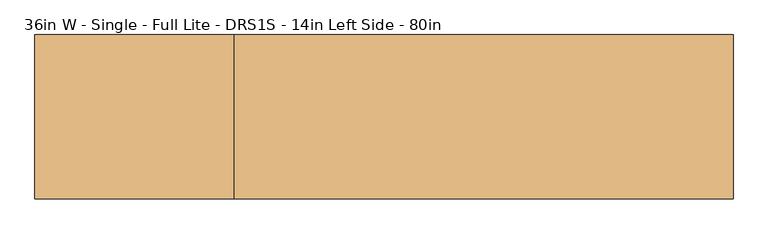
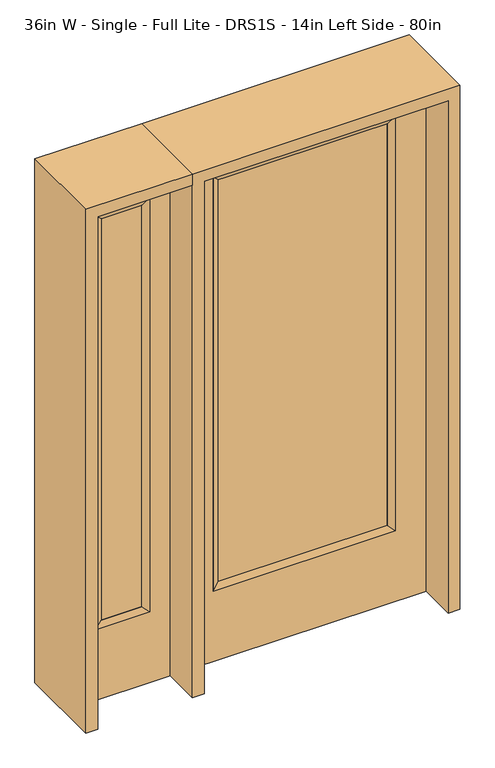
"""IFC4 building model written with IfcOpenShell, lengths in millimetres: door geometry, 36in W - Single - Full Lite - DRS1S - 14in Left Side - 80in."""

from ifc_helpers import new_model, si_unit, frame, origin, place, context, project, spatial, polyline, outline, extrude, faceted_brep, source, transform, mapped, element, save


def door_36in_w_single_full_lite_drs1s_14in_left_side_80in_b19fb23d(model_context):
    return source(origin(), model_context, "Body", "SolidModel", [
        extrude(outline(polyline([(316.3824, -12.7039749), (-316.3824, -12.7039749), (-316.3824, 14.2875), (316.3824, 14.2875), (316.3824, -12.7039749)])), frame((0.0, 0.0, 304.8), z_axis=(0.0, 0.0, 1.0), x_axis=(1.0, 0.0, 0.0)), (0.0, 0.0, 1.0), 1591.1576),
        faceted_brep([(316.3824, 14.2875, 1895.9576), (341.7824, 22.225, 1921.3576), (341.7824, 22.225, 279.4), (316.3824, 14.2875, 304.8), (341.7824, -22.225, 1921.3576), (341.7824, -22.225, 279.4), (-341.7824, 22.225, 279.4), (-316.3824, 14.2875, 304.8), (316.3824, -12.7039749, 1895.9576), (316.3824, -12.7039749, 304.8), (-316.3824, -12.7039749, 304.8), (-341.7824, -22.225, 279.4), (-341.7824, 22.225, 1921.3576), (-316.3824, 14.2875, 1895.9576), (-316.3824, -12.7039749, 1895.9576), (-341.7824, -22.225, 1921.3576)], [[[0, 1, 2, 3]], [[1, 4, 5, 2]], [[3, 2, 6, 7]], [[8, 0, 3, 9]], [[9, 3, 7, 10]], [[4, 8, 9, 5]], [[5, 9, 10, 11]], [[2, 5, 11, 6]], [[7, 6, 12, 13]], [[10, 7, 13, 14]], [[11, 10, 14, 15]], [[6, 11, 15, 12]], [[13, 12, 1, 0]], [[14, 13, 0, 8]], [[15, 14, 8, 4]], [[12, 15, 4, 1]]]),
        extrude(outline(polyline([(0.0, -457.2), (0.0, 457.2), (2032.0, 457.2), (2032.0, -457.2), (0.0, -457.2)]), holes=[polyline([(279.4, -341.7824), (1921.3576, -341.7824), (1921.3576, 341.7824), (279.4, 341.7824), (279.4, -341.7824)])]), frame((0.0, -22.225, 0.0), z_axis=(0.0, 1.0, 0.0), x_axis=(0.0, 0.0, 1.0)), (0.0, 0.0, 1.0), 44.45),
        faceted_brep([(-577.85, 20.6375, 1920.875), (-577.85, -20.6375, 1920.875), (-577.85, -20.6375, 279.4), (-577.85, 20.6375, 279.4), (-603.25, -12.7, 1895.475), (-603.25, -12.7, 304.8), (-781.05, -20.6375, 279.4), (-781.05, 20.6375, 279.4), (-603.25, 12.7, 1895.475), (-603.25, 12.7, 304.8), (-755.65, 12.7, 304.8), (-755.65, -12.7, 304.8), (-781.05, -20.6375, 1920.875), (-781.05, 20.6375, 1920.875), (-755.65, 12.7, 1895.475), (-755.65, -12.7, 1895.475)], [[[0, 1, 2, 3]], [[1, 4, 5, 2]], [[3, 2, 6, 7]], [[8, 0, 3, 9]], [[9, 3, 7, 10]], [[4, 8, 9, 5]], [[5, 9, 10, 11]], [[2, 5, 11, 6]], [[7, 6, 12, 13]], [[10, 7, 13, 14]], [[11, 10, 14, 15]], [[6, 11, 15, 12]], [[13, 12, 1, 0]], [[14, 13, 0, 8]], [[15, 14, 8, 4]], [[12, 15, 4, 1]]]),
        extrude(outline(polyline([(0.0, -857.25), (0.0, -501.65), (2032.0, -501.65), (2032.0, -857.25), (0.0, -857.25)]), holes=[polyline([(1920.875, -577.85), (279.4, -577.85), (279.4, -781.05), (1920.875, -781.05), (1920.875, -577.85)])]), frame((0.0, -20.6375, 0.0), z_axis=(0.0, 1.0, 0.0), x_axis=(0.0, 0.0, 1.0)), (0.0, 0.0, 1.0), 41.275),
        extrude(outline(polyline([(-603.25, -12.7), (-755.65, -12.7), (-755.65, 12.7), (-603.25, 12.7), (-603.25, -12.7)])), frame((0.0, 0.0, 304.8), z_axis=(0.0, 0.0, 1.0), x_axis=(1.0, 0.0, 0.0)), (0.0, 0.0, 1.0), 1590.675),
        extrude(outline(polyline([(2032.0, -501.65), (2076.45, -501.65), (2076.45, -901.7), (0.0, -901.7), (0.0, -857.25), (2032.0, -857.25), (2032.0, -501.65)])), frame((0.0, -165.1, 0.0), z_axis=(0.0, 1.0, 0.0), x_axis=(0.0, 0.0, 1.0)), (0.0, 0.0, 1.0), 330.2),
        extrude(outline(polyline([(2076.45, -501.65), (0.0, -501.65), (0.0, -457.2), (2032.0, -457.2), (2032.0, 457.2), (0.0, 457.2), (0.0, 501.65), (2076.45, 501.65), (2076.45, -501.65)])), frame((0.0, -165.1, 0.0), z_axis=(0.0, 1.0, 0.0), x_axis=(0.0, 0.0, 1.0)), (0.0, 0.0, 1.0), 330.2),
    ])


if __name__ == "__main__":
    model = new_model("IFC4")
    model_context = context("Model", 3, world=origin())
    ifc_project = project(units=[si_unit("LENGTHUNIT", "METRE", prefix="MILLI")], contexts=[model_context])
    site = spatial("IfcSite", under=ifc_project)
    building = spatial("IfcBuilding", under=site)
    placement = place(None, origin())
    door_36in_w_single_full_lite_drs1s_14in_left_side_80in_shape = door_36in_w_single_full_lite_drs1s_14in_left_side_80in_b19fb23d(model_context)
    element("IfcDoor", 1, ObjectType="36in W - Single - Full Lite - DRS1S - 14in Left Side - 80in", at=placement, inside=building, context=model_context, shape_type="MappedRepresentation", body=[
        mapped(door_36in_w_single_full_lite_drs1s_14in_left_side_80in_shape, transform((0.0, 0.0, 0.0), x_axis=(1.0, 0.0, 0.0), y_axis=(0.0, 1.0, 0.0), z_axis=(0.0, 0.0, 1.0))),
    ])
    save(model, "model.ifc")
